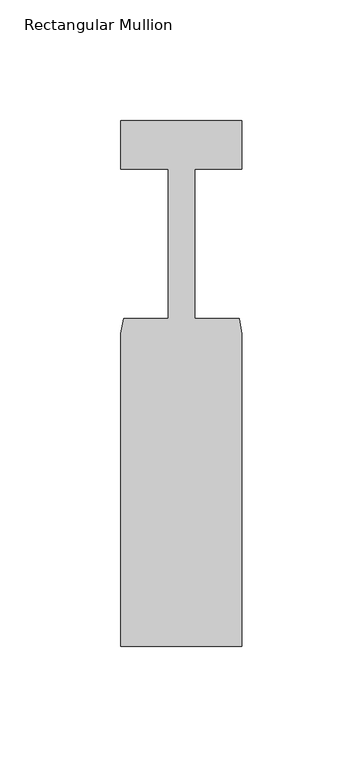
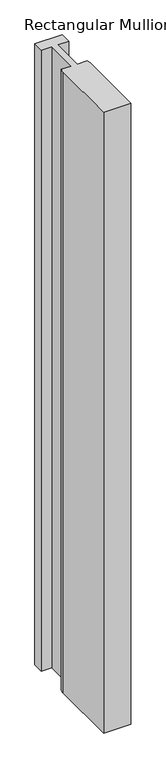
"""IFC4 building model written with IfcOpenShell, lengths in millimetres: member geometry, Rectangular Mullion."""

import ifcopenshell
import ifcopenshell.guid

model = None  # the IFC model being written
_history = None  # IfcOwnerHistory: only IFC2X3 demands one
_inside = {}  # id of a spatial element -> (the spatial element, [elements in it])
_under = {}  # id of a project, library or spatial element -> (it, [spatial elements below it])
_declared = {}  # id of a project -> (the project, [libraries it declares])
_typed = {}  # id of a type object -> (the type object, [elements of that type])
_made_of = {}  # id of a material, layer set ... -> (it, [elements and type objects made of it])


def new_model(schema):
    """Start an empty IFC model of exactly this schema.

    Asked for "IFC4X3", IfcOpenShell would pick the latest addendum, in which some entities
    have other attributes; the version numbers below select the first issue.
    IFC2X3 requires an IfcOwnerHistory on every rooted entity: one is made here for all.
    """
    global model, _history
    if schema == "IFC4X3":
        model = ifcopenshell.file(schema_version=(4, 3, 0, 0))
    else:
        model = ifcopenshell.file(schema=schema)
    _inside.clear()
    _under.clear()
    _declared.clear()
    _typed.clear()
    _made_of.clear()
    _history = None
    if model.schema == "IFC2X3":
        org = make("IfcOrganization", Name="unknown")
        user = make(
            "IfcPersonAndOrganization",
            ThePerson=make("IfcPerson", FamilyName="unknown"),
            TheOrganization=org,
        )
        app = make(
            "IfcApplication",
            ApplicationDeveloper=org,
            Version="unknown",
            ApplicationFullName="unknown",
            ApplicationIdentifier="unknown",
        )
        _history = make(
            "IfcOwnerHistory",
            OwningUser=user,
            OwningApplication=app,
            ChangeAction="ADDED",
            CreationDate=0,
        )
    return model


def make(cls, **values):
    """One entity of the class cls with the attributes given. An attribute that is None is left unset."""
    return model.create_entity(
        cls, **{name: value for name, value in values.items() if value is not None}
    )


def rooted(cls, **values):
    """An entity with a GlobalId (a new one), such as an element, a storey or a relation."""
    return make(cls, GlobalId=ifcopenshell.guid.new(), OwnerHistory=_history, **values)


def si_unit(unit_type, name, prefix=None):
    """IfcSIUnit, for example si_unit("LENGTHUNIT", "METRE", prefix="MILLI")."""
    return make("IfcSIUnit", UnitType=unit_type, Prefix=prefix, Name=name)


def assignment(units):
    """IfcUnitAssignment: the units of a project."""
    return None if units is None else make("IfcUnitAssignment", Units=units)


def point(xyz):
    """IfcCartesianPoint."""
    return None if xyz is None else make("IfcCartesianPoint", Coordinates=xyz)


def direction(xyz):
    """IfcDirection."""
    return None if xyz is None else make("IfcDirection", DirectionRatios=xyz)


def frame(location, z_axis=None, x_axis=None):
    """IfcAxis2Placement3D, a coordinate frame: its origin and axes. An axis left out is left unset."""
    return make(
        "IfcAxis2Placement3D",
        Location=point(location),
        Axis=direction(z_axis),
        RefDirection=direction(x_axis),
    )


def origin():
    """The frame at (0, 0, 0) with its axes left unset."""
    return frame((0.0, 0.0, 0.0))


def place(relative_to, where):
    """IfcLocalPlacement: puts the frame where relative to a parent placement (None: the world)."""
    return make(
        "IfcLocalPlacement", PlacementRelTo=relative_to, RelativePlacement=where
    )


def context(
    kind, dimensions, precision=None, world=None, true_north=None, identifier=None
):
    """IfcGeometricRepresentationContext, for example the 3D "Model" context."""
    return make(
        "IfcGeometricRepresentationContext",
        ContextIdentifier=identifier,
        ContextType=kind,
        CoordinateSpaceDimension=dimensions,
        Precision=precision,
        WorldCoordinateSystem=world,
        TrueNorth=true_north,
    )


def project(units=None, contexts=None):
    """IfcProject with its units and contexts."""
    return rooted(
        "IfcProject",
        Name="project",
        RepresentationContexts=contexts,
        UnitsInContext=assignment(units),
    )


def spatial(cls, under=None, at=None, **own):
    """A site, building, storey or space (cls), placed at a placement, below another one or the project."""
    s = rooted(cls, ObjectPlacement=at, **own)
    if under is not None:
        _under.setdefault(under.id(), (under, []))[1].append(s)
    return s


def polyline(points):
    """IfcPolyline through the points."""
    return make("IfcPolyline", Points=[point(p) for p in points])


def outline(outer, holes=None, kind="AREA"):
    """IfcArbitraryClosedProfileDef: a profile drawn as a closed curve; with holes, ...WithVoids."""
    if holes is None:
        return make("IfcArbitraryClosedProfileDef", ProfileType=kind, OuterCurve=outer)
    return make(
        "IfcArbitraryProfileDefWithVoids",
        ProfileType=kind,
        OuterCurve=outer,
        InnerCurves=holes,
    )


def extrude(swept, where, along, depth):
    """IfcExtrudedAreaSolid: the profile swept, set in the frame where, extruded along a direction by depth."""
    return make(
        "IfcExtrudedAreaSolid",
        SweptArea=swept,
        Position=where,
        ExtrudedDirection=direction(along),
        Depth=depth,
    )


def shape(context_of_items, identifier, shape_type, items):
    """IfcShapeRepresentation: the items that make up one representation, for example the "Body"."""
    return make(
        "IfcShapeRepresentation",
        ContextOfItems=context_of_items,
        RepresentationIdentifier=identifier,
        RepresentationType=shape_type,
        Items=items,
    )


def source(mapping_origin, context_of_items, identifier, shape_type, items):
    """IfcRepresentationMap: a shape defined once, which mapped items show again and again."""
    return make(
        "IfcRepresentationMap",
        MappingOrigin=mapping_origin,
        MappedRepresentation=shape(context_of_items, identifier, shape_type, items),
    )


def transform(
    local_origin,
    x_axis=None,
    y_axis=None,
    z_axis=None,
    scale=None,
    scale2=None,
    scale3=None,
    uniform=True,
):
    """IfcCartesianTransformationOperator3D, or its non-uniform kind. x_axis, y_axis, z_axis: its Axis1, 2, 3."""
    if uniform:
        return make(
            "IfcCartesianTransformationOperator3D",
            Axis1=direction(x_axis),
            Axis2=direction(y_axis),
            LocalOrigin=point(local_origin),
            Scale=scale,
            Axis3=direction(z_axis),
        )
    return make(
        "IfcCartesianTransformationOperator3DnonUniform",
        Axis1=direction(x_axis),
        Axis2=direction(y_axis),
        LocalOrigin=point(local_origin),
        Scale=scale,
        Axis3=direction(z_axis),
        Scale2=scale2,
        Scale3=scale3,
    )


def mapped(mapping_source, mapping_target):
    """IfcMappedItem: shows the shape of a source again, moved by a transform."""
    return make(
        "IfcMappedItem", MappingSource=mapping_source, MappingTarget=mapping_target
    )


def made_of(thing, what):
    """Note that an element or type object is made of a material, layer set ...; save() writes the relation."""
    if what is not None:
        _made_of.setdefault(what.id(), (what, []))[1].append(thing)
    return thing


def element(
    cls,
    number,
    at=None,
    inside=None,
    cuts=None,
    type_object=None,
    material=None,
    context=None,
    identifier="Body",
    shape_type=None,
    held_by="IfcProductDefinitionShape",
    body=None,
    shapes=None,
    **own,
):
    """One element of the class cls, such as IfcWall. Its Tag is "e" and its number.

    at: its placement. inside: the storey or other place that contains it. cuts: it is an
    opening in that element (IfcRelVoidsElement). A single representation is given by context,
    identifier, shape_type and body (its items); several are given by shapes. held_by: the class
    of the entity that holds the representations. save() writes the other relations.
    """
    e = rooted(cls, Tag="e%d" % number, ObjectPlacement=at, **own)
    if body is not None:
        shapes = [shape(context, identifier, shape_type, body)]
    if shapes is not None:
        e.Representation = make(held_by, Representations=shapes)
    if inside is not None:
        _inside.setdefault(inside.id(), (inside, []))[1].append(e)
    if cuts is not None:
        rooted(
            "IfcRelVoidsElement", RelatingBuildingElement=cuts, RelatedOpeningElement=e
        )
    if type_object is not None:
        _typed.setdefault(type_object.id(), (type_object, []))[1].append(e)
    return made_of(e, material)


def aggregate(whole, parts):
    """IfcRelAggregates: a whole, such as a stair, and the parts it consists of."""
    return rooted("IfcRelAggregates", RelatingObject=whole, RelatedObjects=parts)


def save(model, path):
    """Write the relations noted so far, then the file.

    IfcRelAggregates (storeys below a building ...), IfcRelContainedInSpatialStructure (elements
    in a storey), IfcRelDefinesByType, IfcRelAssociatesMaterial and IfcRelDeclares: one each for
    every whole, place, type object, material and project.
    """
    for whole, parts in _under.values():
        aggregate(whole, parts)
    for where, things in _inside.values():
        rooted(
            "IfcRelContainedInSpatialStructure",
            RelatedElements=things,
            RelatingStructure=where,
        )
    for kind, things in _typed.values():
        rooted("IfcRelDefinesByType", RelatedObjects=things, RelatingType=kind)
    for what, things in _made_of.values():
        rooted("IfcRelAssociatesMaterial", RelatedObjects=things, RelatingMaterial=what)
    for by, libraries in _declared.values():
        rooted("IfcRelDeclares", RelatingContext=by, RelatedDefinitions=libraries)
    model.write(path)


def rectangular_mullion_9c8096dc(model_context):
    return source(origin(), model_context, "Body", "SweptSolid", [
        extrude(outline(polyline([(25.0, -161.3), (-25.0, -161.3), (-25.0, -32.0), (-23.9, -25.8), (-5.4999999, -25.8), (-5.4999999, 36.0), (-25.0, 36.0), (-25.0, 56.0), (25.0, 56.0), (25.0, 36.0), (5.5, 36.0), (5.5, -25.8), (23.9, -25.8), (25.0, -32.0), (25.0, -161.3)])), frame((0.0, 0.0, -1200.0), z_axis=(0.0, 0.0, 1.0), x_axis=(1.0, 0.0, 0.0)), (0.0, 0.0, 1.0), 1200.0),
    ])


if __name__ == "__main__":
    model = new_model("IFC4")
    model_context = context("Model", 3, world=origin())
    ifc_project = project(units=[si_unit("LENGTHUNIT", "METRE", prefix="MILLI")], contexts=[model_context])
    site = spatial("IfcSite", under=ifc_project)
    building = spatial("IfcBuilding", under=site)
    placement = place(None, origin())
    rectangular_mullion_shape = rectangular_mullion_9c8096dc(model_context)
    element("IfcMember", 1, ObjectType="Rectangular Mullion", at=placement, inside=building, context=model_context, shape_type="MappedRepresentation", body=[
        mapped(rectangular_mullion_shape, transform((0.0, 0.0, 0.0), x_axis=(1.0, 0.0, 0.0), y_axis=(0.0, 1.0, 0.0), z_axis=(0.0, 0.0, 1.0))),
    ])
    save(model, "model.ifc")
